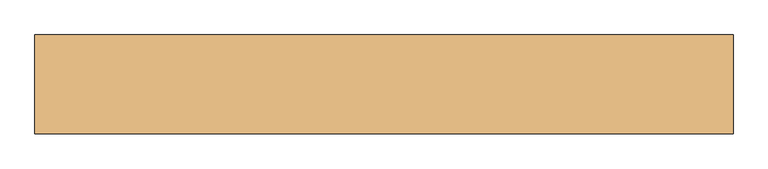
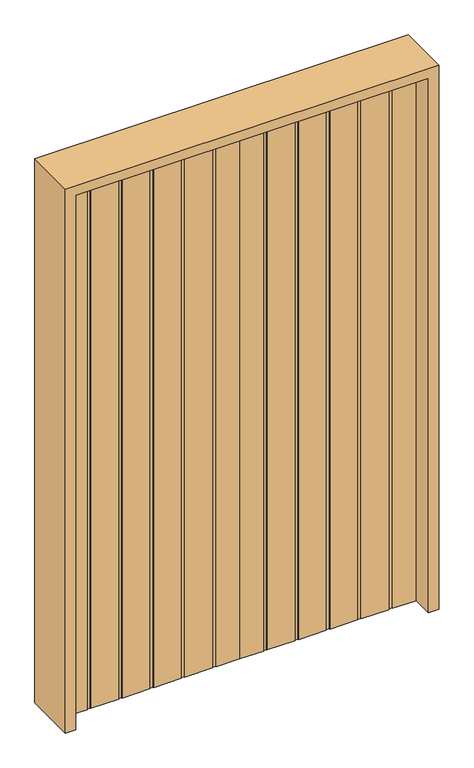
"""IFC4 building model written with IfcOpenShell, lengths in millimetres: door geometry."""

from ifc_helpers import new_model, si_unit, frame, origin, origin_with_axes, place, context, project, spatial, polyline, outline, extrude, source, transform, mapped, element, save


def door_532873f8(model_context):
    return source(origin(), model_context, "Body", "SweptSolid", [
        extrude(outline(polyline([(0.0, 22.225), (0.0, -22.225), (-102.0960938, -22.225), (-102.0960938, -19.05), (-117.3757813, -19.05), (-117.3757813, -22.225), (-237.728125, -22.225), (-237.728125, -19.05), (-253.0078125, -19.05), (-253.0078125, -22.225), (-373.3601563, -22.225), (-373.3601563, -19.05), (-388.6398438, -19.05), (-388.6398438, -22.225), (-508.9921875, -22.225), (-508.9921875, -19.05), (-524.271875, -19.05), (-524.271875, -22.225), (-644.6242188, -22.225), (-644.6242188, -19.05), (-659.9039063, -19.05), (-659.9039063, -22.225), (-762.0, -22.225), (-762.0, 22.225), (-659.9039063, 22.225), (-659.9039063, 19.05), (-644.6242188, 19.05), (-644.6242188, 22.225), (-524.271875, 22.225), (-524.271875, 19.05), (-508.9921875, 19.05), (-508.9921875, 22.225), (-388.6398438, 22.225), (-388.6398438, 19.05), (-373.3601563, 19.05), (-373.3601563, 22.225), (-253.0078125, 22.225), (-253.0078125, 19.05), (-237.728125, 19.05), (-237.728125, 22.225), (-117.3757813, 22.225), (-117.3757813, 19.05), (-102.0960938, 19.05), (-102.0960938, 22.225), (0.0, 22.225)])), origin_with_axes(), (0.0, 0.0, 1.0), 2438.4),
        extrude(outline(polyline([(0.0, 22.225), (102.0960937, 22.225), (102.0960937, 19.05), (117.3757812, 19.05), (117.3757812, 22.225), (237.728125, 22.225), (237.728125, 19.05), (253.0078125, 19.05), (253.0078125, 22.225), (373.3601562, 22.225), (373.3601562, 19.05), (388.6398437, 19.05), (388.6398437, 22.225), (508.9921875, 22.225), (508.9921875, 19.05), (524.271875, 19.05), (524.271875, 22.225), (644.6242187, 22.225), (644.6242187, 19.05), (659.9039062, 19.05), (659.9039062, 22.225), (762.0, 22.225), (762.0, -22.225), (659.9039062, -22.225), (659.9039062, -19.05), (644.6242187, -19.05), (644.6242187, -22.225), (524.271875, -22.225), (524.271875, -19.05), (508.9921875, -19.05), (508.9921875, -22.225), (388.6398437, -22.225), (388.6398437, -19.05), (373.3601562, -19.05), (373.3601562, -22.225), (253.0078125, -22.225), (253.0078125, -19.05), (237.728125, -19.05), (237.728125, -22.225), (117.3757812, -22.225), (117.3757812, -19.05), (102.0960937, -19.05), (102.0960937, -22.225), (0.0, -22.225), (0.0, 22.225)])), origin_with_axes(), (0.0, 0.0, 1.0), 2438.4),
        extrude(outline(polyline([(0.0, -806.45), (0.0, -762.0), (2438.4, -762.0), (2438.4, 762.0), (0.0, 762.0), (0.0, 806.45), (2482.85, 806.45), (2482.85, -806.45), (0.0, -806.45)])), frame((0.0, -114.3, 0.0), z_axis=(0.0, 1.0, 0.0), x_axis=(0.0, 0.0, 1.0)), (0.0, 0.0, 1.0), 228.6),
    ])


if __name__ == "__main__":
    model = new_model("IFC4")
    model_context = context("Model", 3, world=origin())
    ifc_project = project(units=[si_unit("LENGTHUNIT", "METRE", prefix="MILLI")], contexts=[model_context])
    site = spatial("IfcSite", under=ifc_project)
    building = spatial("IfcBuilding", under=site)
    placement = place(None, origin())
    door_shape = door_532873f8(model_context)
    element("IfcDoor", 1, at=placement, inside=building, context=model_context, shape_type="MappedRepresentation", body=[
        mapped(door_shape, transform((0.0, 0.0, 0.0), x_axis=(1.0, 0.0, 0.0), y_axis=(0.0, 1.0, 0.0), z_axis=(0.0, 0.0, 1.0))),
    ])
    save(model, "model.ifc")
